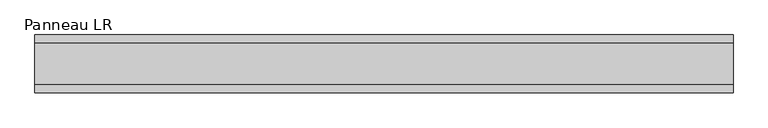
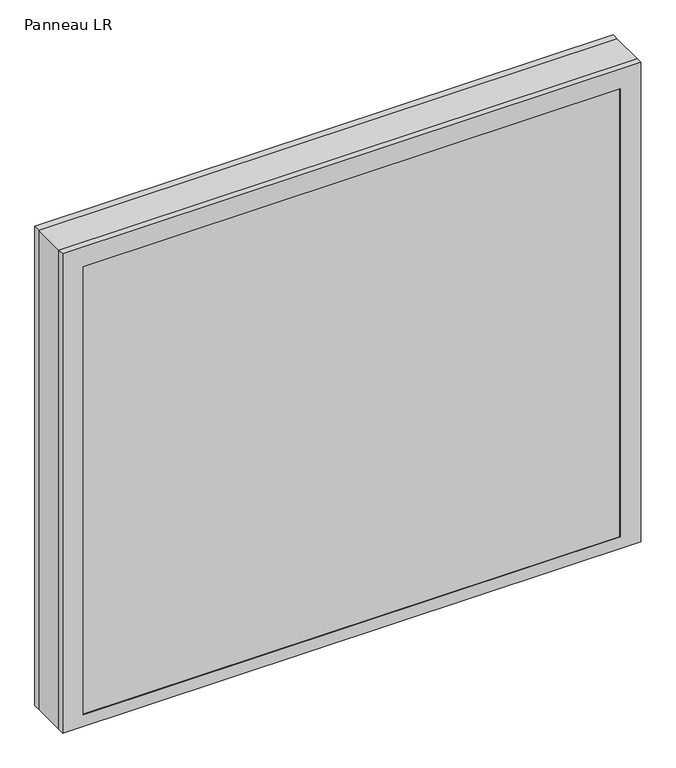
"""IFC4 building model written with IfcOpenShell, lengths in millimetres: plate geometry, Panneau LR."""

from ifc_helpers import new_model, si_unit, frame, origin, place, context, project, spatial, polyline, outline, extrude, faceted_brep, source, transform, mapped, element, save


def panneau_lr_5e492884(model_context):
    return source(origin(), model_context, "Body", "SolidModel", [
        faceted_brep([(-544.1875001, 33.0, 953.5), (-544.1875001, 45.0, 953.5), (-544.1875001, 45.0, 0.0), (-544.1875001, 33.0, 0.0), (544.1875001, 33.0, 0.0), (544.1875001, 45.0, 0.0), (544.1875001, 45.0, 953.5), (544.1875001, 33.0, 953.5), (-505.1875001, 45.0, 914.5), (-505.1875001, 45.0, 23.0), (505.1875001, 45.0, 23.0), (505.1875001, 45.0, 914.5), (505.1875001, 43.8, 914.5), (-505.1875001, 43.8, 914.5), (-520.1875001, 43.8, 929.5), (-520.1875001, 43.8, 8.0), (520.1875001, 43.8, 8.0), (520.1875001, 43.8, 929.5), (505.1875001, 43.8, 23.0), (-505.1875001, 43.8, 23.0), (520.1875001, 33.0, 929.5), (-520.1875001, 33.0, 929.5), (520.1875001, 33.0, 8.0), (-520.1875001, 33.0, 8.0)], [[[0, 1, 2, 3]], [[4, 5, 6, 7]], [[6, 1, 0, 7]], [[2, 1, 6, 5], [8, 9, 10, 11]], [[8, 11, 12, 13]], [[14, 15, 16, 17], [13, 12, 18, 19]], [[14, 17, 20, 21]], [[0, 3, 4, 7], [20, 22, 23, 21]], [[23, 22, 16, 15]], [[19, 18, 10, 9]], [[4, 3, 2, 5]], [[21, 23, 15, 14]], [[13, 19, 9, 8]], [[18, 12, 11, 10]], [[22, 20, 17, 16]]]),
        faceted_brep([(-544.1875001, -33.0, 0.0), (-544.1875001, -45.0, 0.0), (-544.1875001, -45.0, 953.5), (-544.1875001, -33.0, 953.5), (544.1875001, -45.0, 0.0), (544.1875001, -33.0, 0.0), (544.1875001, -33.0, 953.5), (544.1875001, -45.0, 953.5), (505.1875001, -45.0, 914.5), (505.1875001, -45.0, 23.0), (-505.1875001, -45.0, 23.0), (-505.1875001, -45.0, 914.5), (-520.1875001, -33.0, 929.5), (-520.1875001, -33.0, 8.0), (520.1875001, -33.0, 8.0), (520.1875001, -33.0, 929.5), (520.1875001, -43.8, 929.5), (-520.1875001, -43.8, 929.5), (520.1875001, -43.8, 8.0), (-520.1875001, -43.8, 8.0), (-505.1875001, -43.8, 914.5), (-505.1875001, -43.8, 23.0), (505.1875001, -43.8, 23.0), (505.1875001, -43.8, 914.5)], [[[0, 1, 2, 3]], [[4, 5, 6, 7]], [[2, 1, 4, 7], [8, 9, 10, 11]], [[6, 3, 2, 7]], [[0, 3, 6, 5], [12, 13, 14, 15]], [[12, 15, 16, 17]], [[17, 16, 18, 19], [20, 21, 22, 23]], [[8, 11, 20, 23]], [[10, 9, 22, 21]], [[19, 18, 14, 13]], [[4, 1, 0, 5]], [[11, 10, 21, 20]], [[17, 19, 13, 12]], [[18, 16, 15, 14]], [[9, 8, 23, 22]]]),
        extrude(outline(polyline([(953.5, 544.1875001), (953.5, -544.1875001), (0.0, -544.1875001), (0.0, 544.1875001), (953.5, 544.1875001)]), holes=[polyline([(30.0, -504.1875001), (907.5, -504.1875001), (907.5, 504.1875001), (30.0, 504.1875001), (30.0, -504.1875001)])]), frame((0.0, -33.0, 0.0), z_axis=(0.0, 1.0, 0.0), x_axis=(0.0, 0.0, 1.0)), (0.0, 0.0, 1.0), 66.0),
        extrude(outline(polyline([(520.1875001, 37.8), (-520.1875001, 37.8), (-520.1875001, 43.8), (520.1875001, 43.8), (520.1875001, 37.8)])), frame((0.0, 0.0, 8.0), z_axis=(0.0, 0.0, 1.0), x_axis=(1.0, 0.0, 0.0)), (0.0, 0.0, 1.0), 921.5),
        extrude(outline(polyline([(-520.1875001, -43.8), (-520.1875001, -37.8), (520.1875001, -37.8), (520.1875001, -43.8), (-520.1875001, -43.8)])), frame((0.0, 0.0, 8.0), z_axis=(0.0, 0.0, 1.0), x_axis=(1.0, 0.0, 0.0)), (0.0, 0.0, 1.0), 921.5),
    ])


if __name__ == "__main__":
    model = new_model("IFC4")
    model_context = context("Model", 3, world=origin())
    ifc_project = project(units=[si_unit("LENGTHUNIT", "METRE", prefix="MILLI")], contexts=[model_context])
    site = spatial("IfcSite", under=ifc_project)
    building = spatial("IfcBuilding", under=site)
    placement = place(None, origin())
    panneau_lr_shape = panneau_lr_5e492884(model_context)
    element("IfcPlate", 1, ObjectType="Panneau LR", at=placement, inside=building, context=model_context, shape_type="MappedRepresentation", body=[
        mapped(panneau_lr_shape, transform((0.0, 0.0, 0.0), x_axis=(1.0, 0.0, 0.0), y_axis=(0.0, 1.0, 0.0), z_axis=(0.0, 0.0, 1.0))),
    ])
    save(model, "model.ifc")
